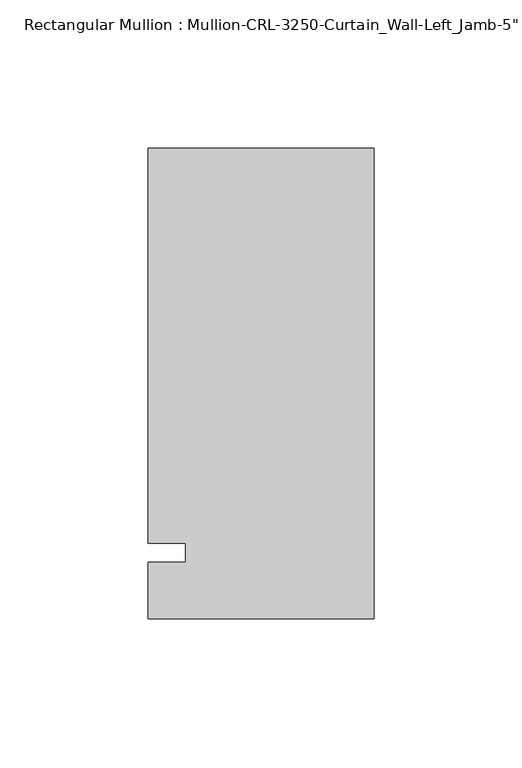
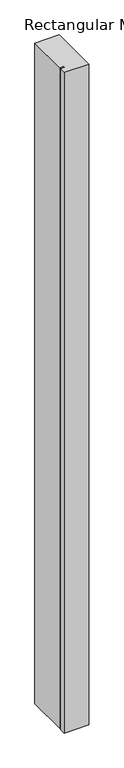
"""IFC4 building model written with IfcOpenShell, lengths in millimetres: member geometry."""

import ifcopenshell
import ifcopenshell.guid

model = None  # the IFC model being written
_history = None  # IfcOwnerHistory: only IFC2X3 demands one
_inside = {}  # id of a spatial element -> (the spatial element, [elements in it])
_under = {}  # id of a project, library or spatial element -> (it, [spatial elements below it])
_declared = {}  # id of a project -> (the project, [libraries it declares])
_typed = {}  # id of a type object -> (the type object, [elements of that type])
_made_of = {}  # id of a material, layer set ... -> (it, [elements and type objects made of it])


def new_model(schema):
    """Start an empty IFC model of exactly this schema.

    Asked for "IFC4X3", IfcOpenShell would pick the latest addendum, in which some entities
    have other attributes; the version numbers below select the first issue.
    IFC2X3 requires an IfcOwnerHistory on every rooted entity: one is made here for all.
    """
    global model, _history
    if schema == "IFC4X3":
        model = ifcopenshell.file(schema_version=(4, 3, 0, 0))
    else:
        model = ifcopenshell.file(schema=schema)
    _inside.clear()
    _under.clear()
    _declared.clear()
    _typed.clear()
    _made_of.clear()
    _history = None
    if model.schema == "IFC2X3":
        org = make("IfcOrganization", Name="unknown")
        user = make(
            "IfcPersonAndOrganization",
            ThePerson=make("IfcPerson", FamilyName="unknown"),
            TheOrganization=org,
        )
        app = make(
            "IfcApplication",
            ApplicationDeveloper=org,
            Version="unknown",
            ApplicationFullName="unknown",
            ApplicationIdentifier="unknown",
        )
        _history = make(
            "IfcOwnerHistory",
            OwningUser=user,
            OwningApplication=app,
            ChangeAction="ADDED",
            CreationDate=0,
        )
    return model


def make(cls, **values):
    """One entity of the class cls with the attributes given. An attribute that is None is left unset."""
    return model.create_entity(
        cls, **{name: value for name, value in values.items() if value is not None}
    )


def rooted(cls, **values):
    """An entity with a GlobalId (a new one), such as an element, a storey or a relation."""
    return make(cls, GlobalId=ifcopenshell.guid.new(), OwnerHistory=_history, **values)


def si_unit(unit_type, name, prefix=None):
    """IfcSIUnit, for example si_unit("LENGTHUNIT", "METRE", prefix="MILLI")."""
    return make("IfcSIUnit", UnitType=unit_type, Prefix=prefix, Name=name)


def assignment(units):
    """IfcUnitAssignment: the units of a project."""
    return None if units is None else make("IfcUnitAssignment", Units=units)


def point(xyz):
    """IfcCartesianPoint."""
    return None if xyz is None else make("IfcCartesianPoint", Coordinates=xyz)


def direction(xyz):
    """IfcDirection."""
    return None if xyz is None else make("IfcDirection", DirectionRatios=xyz)


def frame(location, z_axis=None, x_axis=None):
    """IfcAxis2Placement3D, a coordinate frame: its origin and axes. An axis left out is left unset."""
    return make(
        "IfcAxis2Placement3D",
        Location=point(location),
        Axis=direction(z_axis),
        RefDirection=direction(x_axis),
    )


def origin():
    """The frame at (0, 0, 0) with its axes left unset."""
    return frame((0.0, 0.0, 0.0))


def place(relative_to, where):
    """IfcLocalPlacement: puts the frame where relative to a parent placement (None: the world)."""
    return make(
        "IfcLocalPlacement", PlacementRelTo=relative_to, RelativePlacement=where
    )


def context(
    kind, dimensions, precision=None, world=None, true_north=None, identifier=None
):
    """IfcGeometricRepresentationContext, for example the 3D "Model" context."""
    return make(
        "IfcGeometricRepresentationContext",
        ContextIdentifier=identifier,
        ContextType=kind,
        CoordinateSpaceDimension=dimensions,
        Precision=precision,
        WorldCoordinateSystem=world,
        TrueNorth=true_north,
    )


def project(units=None, contexts=None):
    """IfcProject with its units and contexts."""
    return rooted(
        "IfcProject",
        Name="project",
        RepresentationContexts=contexts,
        UnitsInContext=assignment(units),
    )


def spatial(cls, under=None, at=None, **own):
    """A site, building, storey or space (cls), placed at a placement, below another one or the project."""
    s = rooted(cls, ObjectPlacement=at, **own)
    if under is not None:
        _under.setdefault(under.id(), (under, []))[1].append(s)
    return s


def polyline(points):
    """IfcPolyline through the points."""
    return make("IfcPolyline", Points=[point(p) for p in points])


def outline(outer, holes=None, kind="AREA"):
    """IfcArbitraryClosedProfileDef: a profile drawn as a closed curve; with holes, ...WithVoids."""
    if holes is None:
        return make("IfcArbitraryClosedProfileDef", ProfileType=kind, OuterCurve=outer)
    return make(
        "IfcArbitraryProfileDefWithVoids",
        ProfileType=kind,
        OuterCurve=outer,
        InnerCurves=holes,
    )


def extrude(swept, where, along, depth):
    """IfcExtrudedAreaSolid: the profile swept, set in the frame where, extruded along a direction by depth."""
    return make(
        "IfcExtrudedAreaSolid",
        SweptArea=swept,
        Position=where,
        ExtrudedDirection=direction(along),
        Depth=depth,
    )


def shape(context_of_items, identifier, shape_type, items):
    """IfcShapeRepresentation: the items that make up one representation, for example the "Body"."""
    return make(
        "IfcShapeRepresentation",
        ContextOfItems=context_of_items,
        RepresentationIdentifier=identifier,
        RepresentationType=shape_type,
        Items=items,
    )


def source(mapping_origin, context_of_items, identifier, shape_type, items):
    """IfcRepresentationMap: a shape defined once, which mapped items show again and again."""
    return make(
        "IfcRepresentationMap",
        MappingOrigin=mapping_origin,
        MappedRepresentation=shape(context_of_items, identifier, shape_type, items),
    )


def transform(
    local_origin,
    x_axis=None,
    y_axis=None,
    z_axis=None,
    scale=None,
    scale2=None,
    scale3=None,
    uniform=True,
):
    """IfcCartesianTransformationOperator3D, or its non-uniform kind. x_axis, y_axis, z_axis: its Axis1, 2, 3."""
    if uniform:
        return make(
            "IfcCartesianTransformationOperator3D",
            Axis1=direction(x_axis),
            Axis2=direction(y_axis),
            LocalOrigin=point(local_origin),
            Scale=scale,
            Axis3=direction(z_axis),
        )
    return make(
        "IfcCartesianTransformationOperator3DnonUniform",
        Axis1=direction(x_axis),
        Axis2=direction(y_axis),
        LocalOrigin=point(local_origin),
        Scale=scale,
        Axis3=direction(z_axis),
        Scale2=scale2,
        Scale3=scale3,
    )


def mapped(mapping_source, mapping_target):
    """IfcMappedItem: shows the shape of a source again, moved by a transform."""
    return make(
        "IfcMappedItem", MappingSource=mapping_source, MappingTarget=mapping_target
    )


def made_of(thing, what):
    """Note that an element or type object is made of a material, layer set ...; save() writes the relation."""
    if what is not None:
        _made_of.setdefault(what.id(), (what, []))[1].append(thing)
    return thing


def element(
    cls,
    number,
    at=None,
    inside=None,
    cuts=None,
    type_object=None,
    material=None,
    context=None,
    identifier="Body",
    shape_type=None,
    held_by="IfcProductDefinitionShape",
    body=None,
    shapes=None,
    **own,
):
    """One element of the class cls, such as IfcWall. Its Tag is "e" and its number.

    at: its placement. inside: the storey or other place that contains it. cuts: it is an
    opening in that element (IfcRelVoidsElement). A single representation is given by context,
    identifier, shape_type and body (its items); several are given by shapes. held_by: the class
    of the entity that holds the representations. save() writes the other relations.
    """
    e = rooted(cls, Tag="e%d" % number, ObjectPlacement=at, **own)
    if body is not None:
        shapes = [shape(context, identifier, shape_type, body)]
    if shapes is not None:
        e.Representation = make(held_by, Representations=shapes)
    if inside is not None:
        _inside.setdefault(inside.id(), (inside, []))[1].append(e)
    if cuts is not None:
        rooted(
            "IfcRelVoidsElement", RelatingBuildingElement=cuts, RelatedOpeningElement=e
        )
    if type_object is not None:
        _typed.setdefault(type_object.id(), (type_object, []))[1].append(e)
    return made_of(e, material)


def aggregate(whole, parts):
    """IfcRelAggregates: a whole, such as a stair, and the parts it consists of."""
    return rooted("IfcRelAggregates", RelatingObject=whole, RelatedObjects=parts)


def save(model, path):
    """Write the relations noted so far, then the file.

    IfcRelAggregates (storeys below a building ...), IfcRelContainedInSpatialStructure (elements
    in a storey), IfcRelDefinesByType, IfcRelAssociatesMaterial and IfcRelDeclares: one each for
    every whole, place, type object, material and project.
    """
    for whole, parts in _under.values():
        aggregate(whole, parts)
    for where, things in _inside.values():
        rooted(
            "IfcRelContainedInSpatialStructure",
            RelatedElements=things,
            RelatingStructure=where,
        )
    for kind, things in _typed.values():
        rooted("IfcRelDefinesByType", RelatedObjects=things, RelatingType=kind)
    for what, things in _made_of.values():
        rooted("IfcRelAssociatesMaterial", RelatedObjects=things, RelatingMaterial=what)
    for by, libraries in _declared.values():
        rooted("IfcRelDeclares", RelatingContext=by, RelatedDefinitions=libraries)
    model.write(path)


def member_86c1463a(model_context):
    return source(origin(), model_context, "Body", "SweptSolid", [
        extrude(outline(polyline([(-76.199997, -3.175), (-63.499997, -3.175), (-63.499997, 3.175), (-76.199997, 3.175), (-76.199997, 136.5240673), (0.0, 136.5240673), (0.0, -22.2254168), (-76.199997, -22.2254168), (-76.199997, -3.175)])), frame((0.0, 0.0, -2178.05), z_axis=(0.0, 0.0, 1.0), x_axis=(1.0, 0.0, 0.0)), (0.0, 0.0, 1.0), 2178.05),
    ])


if __name__ == "__main__":
    model = new_model("IFC4")
    model_context = context("Model", 3, world=origin())
    ifc_project = project(units=[si_unit("LENGTHUNIT", "METRE", prefix="MILLI")], contexts=[model_context])
    site = spatial("IfcSite", under=ifc_project)
    building = spatial("IfcBuilding", under=site)
    placement = place(None, origin())
    member_shape = member_86c1463a(model_context)
    element("IfcMember", 1, ObjectType="Rectangular Mullion : Mullion-CRL-3250-Curtain_Wall-Left_Jamb-5\"", at=placement, inside=building, context=model_context, shape_type="MappedRepresentation", body=[
        mapped(member_shape, transform((0.0, 0.0, 0.0), x_axis=(1.0, 0.0, 0.0), y_axis=(0.0, 1.0, 0.0), z_axis=(0.0, 0.0, 1.0))),
    ])
    save(model, "model.ifc")
